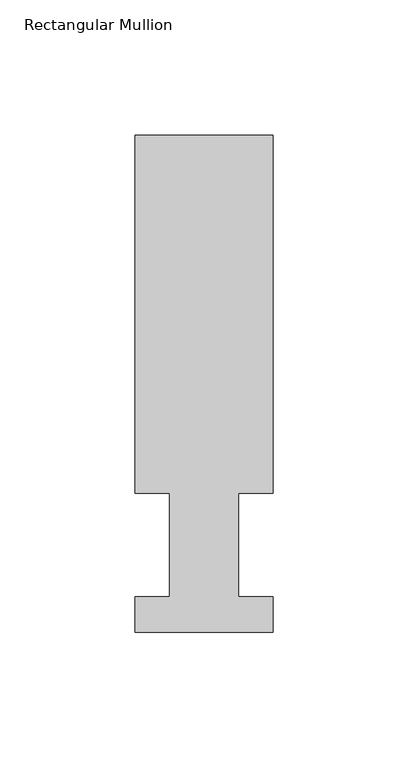
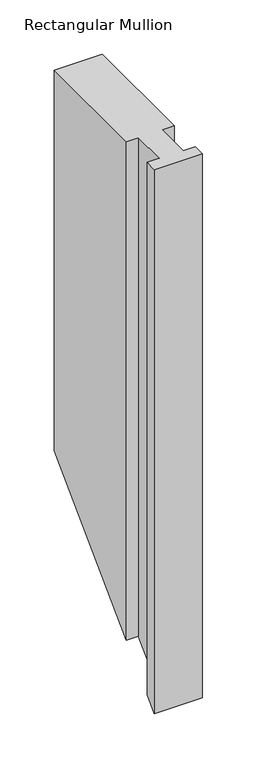
"""IFC4 building model written with IfcOpenShell, lengths in millimetres: member geometry, Rectangular Mullion."""

from ifc_helpers import new_model, si_unit, origin, place, context, project, spatial, faceted_brep, source, transform, mapped, element, save


def rectangular_mullion_ff1e5243(model_context):
    return source(origin(), model_context, "Body", "Brep", [
        faceted_brep([(-50.8, 51.2960937, 0.0), (-38.1, 51.2960938, 0.0), (-38.1, 13.1960938, 0.0), (-50.8, 13.1960938, 0.0), (-50.8, 0.0134937, 0.0), (0.0, 0.0134937, 0.0), (0.0, 13.1960938, 0.0), (-12.7, 13.1960938, 0.0), (-12.7, 51.2960937, 0.0), (0.0, 51.2960938, 0.0), (0.0, 183.4446738, 0.0), (-50.8, 183.4446738, 0.0), (-50.8, 51.2960937, -558.3039062), (-38.1, 51.2960937, -558.3039062), (-38.1, 13.1960938, -596.4039062), (-50.8, 13.1960938, -596.4039062), (-50.8, 0.0134937, -609.5865062), (0.0, 0.0134937, -609.5865062), (0.0, 13.1960938, -596.4039062), (-12.7, 13.1960938, -596.4039062), (-12.7, 51.2960937, -558.3039062), (0.0, 51.2960937, -558.3039062), (0.0, 183.4446738, -426.1553262), (-50.8, 183.4446738, -426.1553262)], [[[0, 1, 2, 3, 4, 5, 6, 7, 8, 9, 10, 11]], [[1, 0, 12, 13]], [[2, 1, 13, 14]], [[3, 2, 14, 15]], [[4, 3, 15, 16]], [[5, 4, 16, 17]], [[6, 5, 17, 18]], [[7, 6, 18, 19]], [[8, 7, 19, 20]], [[9, 8, 20, 21]], [[10, 9, 21, 22]], [[11, 10, 22, 23]], [[0, 11, 23, 12]], [[12, 23, 22, 21, 20, 19, 18, 17, 16, 15, 14, 13]]]),
    ])


if __name__ == "__main__":
    model = new_model("IFC4")
    model_context = context("Model", 3, world=origin())
    ifc_project = project(units=[si_unit("LENGTHUNIT", "METRE", prefix="MILLI")], contexts=[model_context])
    site = spatial("IfcSite", under=ifc_project)
    building = spatial("IfcBuilding", under=site)
    placement = place(None, origin())
    rectangular_mullion_shape = rectangular_mullion_ff1e5243(model_context)
    element("IfcMember", 1, ObjectType="Rectangular Mullion", at=placement, inside=building, context=model_context, shape_type="MappedRepresentation", body=[
        mapped(rectangular_mullion_shape, transform((0.0, 0.0, 0.0), x_axis=(1.0, 0.0, 0.0), y_axis=(0.0, 1.0, 0.0), z_axis=(0.0, 0.0, 1.0))),
    ])
    save(model, "model.ifc")
